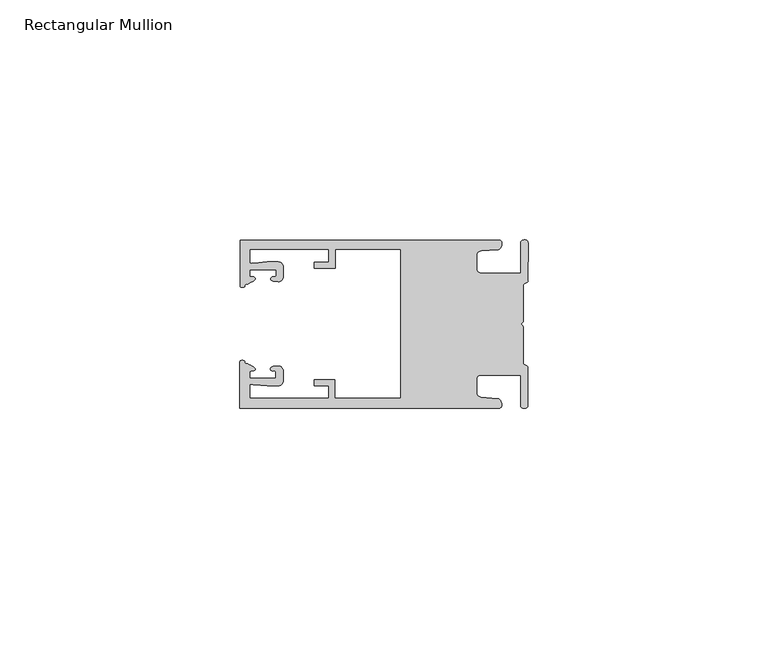
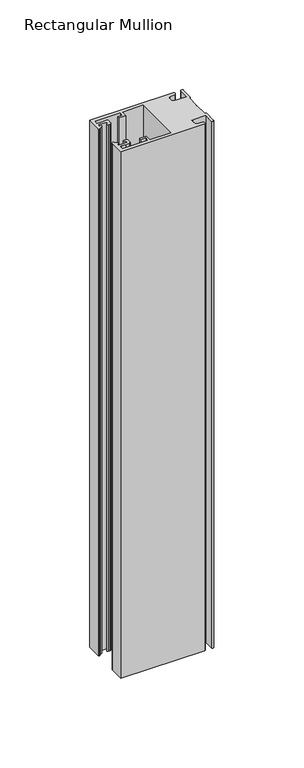
"""IFC4 building model written with IfcOpenShell, lengths in millimetres: member geometry, Rectangular Mullion."""

from ifc_helpers import new_model, si_unit, frame, origin, place, context, project, spatial, circle_curve, source, transform, mapped, element, save
from ifc_brep_helpers import plane_surface, cylinder_surface, extruded_surface, spline_curve, advanced_brep


def rectangular_mullion_d55a6f23(model_context):
    return source(origin(), model_context, "Body", "AdvancedBrep", [
        advanced_brep(
        [(-60.0749377, 17.5111528, 0.0), (-60.0749377, 8.0140787, 0.0), (-59.3252567, 7.7187455, 0.0), (-58.4967974, 8.36785, 0.0), (-58.0726619, 10.1173923, 0.0), (-58.0713101, 11.3673916, 0.0), (-52.5713133, 11.3614437, 0.0), (-52.5726651, 10.1114444, 0.0), (-53.1427626, 8.8955539, 0.0), (-52.0740172, 8.8609044, 0.0), (-51.0729364, 9.8598224, 0.0), (-51.0706653, 11.9598211, 0.0), (-52.0700692, 12.9609024, 0.0), (-54.3905105, 12.9622843, 0.0), (-57.1599646, 12.7230061, 0.0), (-58.0696339, 12.9173907, 0.0), (-58.066768, 15.5673891, 0.0), (-41.5667584, 15.5673891, 0.0), (-41.5695894, 12.9495468, 0.0), (-44.5695877, 12.9527912, 0.0), (-44.5709936, 11.6527919, 0.0), (-40.2709961, 11.6481417, 0.0), (-40.2667576, 15.5673891, 0.0), (-26.6002952, 15.5673891, 0.0), (-26.6002952, -15.4518424, 0.0), (-40.3003032, -15.4518424, 0.0), (-40.2960856, -11.5518447, 0.0), (-44.5960831, -11.5471945, 0.0), (-44.597489, -12.8471938, 0.0), (-41.5974907, -12.8504381, 0.0), (-41.6003025, -15.4504366, 0.0), (-58.1002928, -15.4325927, 0.0), (-58.097427, -12.7825943, 0.0), (-57.1873395, -12.5901776, 0.0), (-54.4184094, -12.8354453, 0.0), (-52.0979705, -12.8390822, 0.0), (-51.0964037, -11.8401649, 0.0), (-51.0941327, -9.7401662, 0.0), (-52.0930507, -8.7390853, 0.0), (-53.1618685, -8.7714231, 0.0), (-52.5944022, -9.9885439, 0.0), (-52.595754, -11.2385431, 0.0), (-58.0957508, -11.2325952, 0.0), (-58.094399, -9.9825959, 0.0), (-58.5147494, -8.2321403, 0.0), (-59.3418028, -7.5812455, 0.0), (-60.0921208, -7.8749565, 0.0), (-60.0921208, -17.4888267, 0.0), (-6.1024861, -17.4888267, 0.0), (-6.5218639, -15.488372, 0.0), (-9.8784944, -15.2205466, 0.0), (-10.7989567, -14.2226333, 0.0), (-10.7961029, -11.5837474, 0.0), (-9.8734844, -10.5878272, 0.0), (-1.5950266, -10.5934991, 0.0), (-1.601948, -16.9936935, 0.0), (-0.1017194, -16.7830581, 0.0), (-0.0933208, -9.0170082, 0.0), (-1.0923837, -8.1499018, 0.0), (-1.0842165, -0.5977972, 0.0), (-1.0829111, 0.6093089, 0.0), (-1.0747439, 8.1614135, 0.0), (-0.0738079, 9.026357, 0.0), (-0.0654093, 16.7924069, 0.0), (-1.5651789, 17.0062866, 0.0), (-1.5651789, 10.6183257, 0.0), (-9.8505511, 10.6183257, 0.0), (-10.7710133, 11.6162391, 0.0), (-10.7681595, 14.255125, 0.0), (-9.845541, 15.2510452, 0.0), (-6.4883391, 15.5116099, 0.0), (-6.0646356, 17.5111528, 0.0), (-60.0749377, 17.5111528, -358.8577679), (-6.0646356, 17.5111528, -358.8577679), (-6.4883391, 15.5116099, -358.8577679), (-9.845541, 15.2510452, -358.8577679), (-10.7681595, 14.255125, -358.8577679), (-10.7710133, 11.6162391, -358.8577679), (-9.8505511, 10.6183257, -358.8577679), (-1.5651789, 10.6183257, -358.8577679), (-1.5651789, 17.0062866, -358.8577679), (-0.0654093, 16.7924069, -358.8577679), (-0.0738079, 9.026357, -358.8577679), (-1.0747439, 8.1614135, -358.8577679), (-1.0829111, 0.6093089, -358.8577679), (-1.0842165, -0.5977972, -358.8577679), (-1.0923837, -8.1499018, -358.8577679), (-0.0933208, -9.0170082, -358.8577679), (-0.1017194, -16.7830581, -358.8577679), (-1.601948, -16.9936935, -358.8577679), (-1.5950266, -10.5934991, -358.8577679), (-9.8734844, -10.5878272, -358.8577679), (-10.7961029, -11.5837474, -358.8577679), (-10.7989567, -14.2226333, -358.8577679), (-9.8784944, -15.2205466, -358.8577679), (-6.5218639, -15.488372, -358.8577679), (-6.1024861, -17.4888267, -358.8577679), (-60.0921208, -17.4888267, -358.8577679), (-60.0921208, -7.8749565, -358.8577679), (-59.3418028, -7.5812455, -358.8577679), (-58.5147494, -8.2321403, -358.8577679), (-58.094399, -9.9825959, -358.8577679), (-58.0957508, -11.2325952, -358.8577679), (-52.595754, -11.2385431, -358.8577679), (-52.5944022, -9.9885439, -358.8577679), (-53.1618685, -8.7714231, -358.8577679), (-52.0930507, -8.7390853, -358.8577679), (-51.0941327, -9.7401662, -358.8577679), (-51.0964037, -11.8401649, -358.8577679), (-52.0979705, -12.8390823, -358.8577679), (-54.4184094, -12.8354453, -358.8577679), (-57.1873395, -12.5901776, -358.8577679), (-58.097427, -12.7825943, -358.8577679), (-58.1002928, -15.4325927, -358.8577679), (-41.6003025, -15.4504366, -358.8577679), (-41.5974907, -12.8504381, -358.8577679), (-44.597489, -12.8471938, -358.8577679), (-44.5960831, -11.5471945, -358.8577679), (-40.2960856, -11.5518447, -358.8577679), (-40.3003032, -15.4518424, -358.8577679), (-26.6002952, -15.4518424, -358.8577679), (-26.6002952, 15.5673891, -358.8577679), (-40.2667576, 15.5673891, -358.8577679), (-40.2709961, 11.6481417, -358.8577679), (-44.5709936, 11.6527919, -358.8577679), (-44.5695877, 12.9527912, -358.8577679), (-41.5695894, 12.9495468, -358.8577679), (-41.5667584, 15.5673891, -358.8577679), (-58.066768, 15.5673891, -358.8577679), (-58.0696339, 12.9173907, -358.8577679), (-57.1599646, 12.7230061, -358.8577679), (-54.3905105, 12.9622843, -358.8577679), (-52.0700692, 12.9609023, -358.8577679), (-51.0706653, 11.9598211, -358.8577679), (-51.0729364, 9.8598224, -358.8577679), (-52.0740172, 8.8609044, -358.8577679), (-53.1427626, 8.8955539, -358.8577679), (-52.5726651, 10.1114444, -358.8577679), (-52.5713133, 11.3614437, -358.8577679), (-58.0713101, 11.3673916, -358.8577679), (-58.0726619, 10.1173923, -358.8577679), (-58.4967974, 8.36785, -358.8577679), (-59.3252567, 7.7187455, -358.8577679), (-60.0749377, 8.0140787, -358.8577679)],
        [
            (0, 1),
            (1, 2, spline_curve(3, [(-60.0749377, 8.0140787, 0.0), (-60.075233123, 7.740904774, 0.0), (-59.825339491, 7.642460332, 0.0), (-59.3252567, 7.7187455, 0.0)], [4, 4], [0.0, 0.0019169337574178654])),
            (2, 3, spline_curve(3, [(-59.3252567, 7.7187455, 0.0), (-59.094460914, 7.75918372, 0.0), (-59.054835463, 7.902257199, 0.0), (-59.05559987, 8.233305614, 0.0), (-59.138729113, 8.4134359, 0.0), (-58.4967974, 8.36785, 0.0)], [4, 2, 4], [0.0, 0.0010199524164107188, 0.0024874514725970356])),
            (3, 4, spline_curve(3, [(-58.4967974, 8.36785, 0.0), (-57.022393378, 9.053435667, 0.0), (-56.827266887, 9.364828726, 0.0), (-56.982213078, 9.742623404, 0.0), (-57.177375211, 9.855581791, 0.0), (-57.697928101, 9.887955071, 0.0), (-57.997449153, 9.835475348, 0.0), (-58.0726619, 10.1173923, 0.0)], [4, 2, 2, 4], [0.0, 0.003269869179570428, 0.005490050486237203, 0.0073545767114364426])),
            (4, 5),
            (5, 6),
            (6, 7),
            (7, 8, spline_curve(3, [(-52.5726651, 10.1114444, 0.0), (-52.667195519, 9.760172042, 0.0), (-52.937094388, 9.861877724, 0.0), (-53.356237032, 9.895631753, 0.0), (-53.491940439, 9.811038713, 0.0), (-53.761900775, 9.511438033, 0.0), (-53.892893546, 9.278787104, 0.0), (-53.1427626, 8.8955539, 0.0)], [4, 2, 2, 4], [0.0, 0.001593963049934732, 0.0033360256320283306, 0.005339140673503943])),
            (8, 9),
            (9, 10, circle_curve(frame((-52.0729358, 9.8609038, 0.0), z_axis=(0.0, 0.0, 1.0), x_axis=(-0.0010814451158600304, -0.9999994152380598, 0.0)), 1.0)),
            (10, 11),
            (11, 12, circle_curve(frame((-52.0706647, 11.9609026, 0.0), z_axis=(0.0, 0.0, 1.0), x_axis=(-0.0010814451158600304, -0.9999994152380598, 0.0)), 1.0)),
            (12, 13),
            (13, 14),
            (14, 15, spline_curve(3, [(-57.1599646, 12.7230061, 0.0), (-57.631533854, 12.682262968, 0.0), (-58.018602985, 12.477800124, 0.0), (-58.0696339, 12.9173907, 0.0)], [4, 4], [0.0, 0.0014803385355886016])),
            (15, 16),
            (16, 17),
            (17, 18),
            (18, 19),
            (19, 20),
            (20, 21),
            (21, 22),
            (22, 23),
            (23, 24),
            (24, 25),
            (25, 26),
            (26, 27),
            (27, 28),
            (28, 29),
            (29, 30),
            (30, 31),
            (31, 32),
            (32, 33, spline_curve(3, [(-58.097427, -12.7825943, 0.0), (-58.045445419, -12.343115126, 0.0), (-57.658819528, -12.548414611, 0.0), (-57.1873395, -12.5901776, 0.0)], [4, 4], [0.0, 0.0014803385355886016])),
            (33, 34),
            (34, 35),
            (35, 36, circle_curve(frame((-52.0964031, -11.8390835, 0.0), z_axis=(0.0, 0.0, 1.0), x_axis=(0.0010814451158600304, 0.9999994152380598, 0.0)), 1.0)),
            (36, 37),
            (37, 38, circle_curve(frame((-52.0941321, -9.7390847, 0.0), z_axis=(0.0, 0.0, 1.0), x_axis=(0.0010814451158600304, 0.9999994152380598, 0.0)), 1.0)),
            (38, 39),
            (39, 40, spline_curve(3, [(-53.1618685, -8.7714231, 0.0), (-53.912826582, -9.153032958, 0.0), (-53.782337352, -9.385966711, 0.0), (-53.51302565, -9.686150585, 0.0), (-53.377505444, -9.771037009, 0.0), (-52.958290774, -9.738189618, 0.0), (-52.688172635, -9.637067904, 0.0), (-52.5944022, -9.9885439, 0.0)], [4, 2, 2, 4], [0.0, 0.002003115041475612, 0.0037451776235692107, 0.005339140673503943])),
            (40, 41),
            (41, 42),
            (42, 43),
            (43, 44, spline_curve(3, [(-58.094399, -9.9825959, 0.0), (-58.018576674, -9.700842284, 0.0), (-57.719169706, -9.753969703, 0.0), (-57.198548014, -9.722722397, 0.0), (-57.003142178, -9.61018632, 0.0), (-56.847379222, -9.232727657, 0.0), (-57.041831673, -8.920913336, 0.0), (-58.5147494, -8.2321403, 0.0)], [4, 2, 2, 4], [0.0, 0.0018645262251992395, 0.004084707531866015, 0.0073545767114364426])),
            (44, 45, spline_curve(3, [(-58.5147494, -8.2321403, 0.0), (-59.156778208, -8.276337666, 0.0), (-59.073259494, -8.096387681, 0.0), (-59.071779067, -7.765341694, 0.0), (-59.111095017, -7.622182811, 0.0), (-59.3418028, -7.5812455, 0.0)], [4, 2, 4], [0.0, 0.0014674990561863168, 0.0024874514725970356])),
            (45, 46, spline_curve(3, [(-59.3418028, -7.5812455, 0.0), (-59.841719425, -7.503878887, 0.0), (-60.091825377, -7.601782574, 0.0), (-60.0921208, -7.8749565, 0.0)], [4, 4], [0.0, 0.0019169337574178654])),
            (46, 47),
            (47, 48),
            (48, 49, spline_curve(3, [(-6.1024861, -17.4888267, 0.0), (-5.074532184, -17.418062188, 0.0), (-5.631140689, -15.411414367, 0.0), (-6.5218639, -15.488372, 0.0)], [4, 4], [0.0, 0.0043819361547461745])),
            (49, 50),
            (50, 51, spline_curve(3, [(-9.8784944, -15.2205466, 0.0), (-10.440691543, -15.150698463, 0.0), (-10.74751234, -14.818060727, 0.0), (-10.7989567, -14.2226333, 0.0)], [4, 4], [0.0, 0.0028645797420738927])),
            (51, 52),
            (52, 53, spline_curve(3, [(-10.7961029, -11.5837474, 0.0), (-10.743370817, -10.988432634, 0.0), (-10.435831301, -10.656459204, 0.0), (-9.8734844, -10.5878272, 0.0)], [4, 4], [0.0, 0.0028645797420738927])),
            (53, 54),
            (54, 55),
            (55, 56, spline_curve(3, [(-1.601948, -16.9936935, 0.0), (-1.655676874, -17.600261454, 0.0), (-0.043737403, -17.912795581, 0.0), (-0.1017194, -16.7830581, 0.0)], [4, 4], [0.0, 0.0036987374396357936])),
            (56, 57),
            (57, 58, spline_curve(3, [(-0.0933208, -9.0170082, 0.0), (-0.018818183, -8.695886697, 0.0), (-1.193434327, -8.459763043, 0.0), (-1.0923837, -8.1499018, 0.0)], [4, 4], [0.0, 0.002027216749630121])),
            (58, 59),
            (59, 60, spline_curve(3, [(-1.0842165, -0.5977972, 0.0), (-1.013223198, -0.445980437, 0.0), (-1.487945123, -0.206736825, 0.0), (-1.487409651, 0.231097965, 0.0), (-0.999110985, 0.429090391, 0.0), (-1.0829111, 0.6093089, 0.0)], [4, 2, 4], [0.0, 0.00249866671847065, 0.005031402919736269])),
            (60, 61),
            (61, 62, spline_curve(3, [(-1.0747439, 8.1614135, 0.0), (-1.175124095, 8.47149258, 0.0), (-7e-09, 8.705075107, 0.0), (-0.0738079, 9.026357, 0.0)], [4, 4], [0.0, 0.002027216749630121])),
            (62, 63),
            (63, 64, spline_curve(3, [(-0.0654093, 16.7924069, 0.0), (-0.004983942, 17.92201633, 0.0), (-1.617595709, 17.612969344, 0.0), (-1.5651789, 17.0062866, 0.0)], [4, 4], [0.0, 0.0036987374396357936])),
            (64, 65),
            (65, 66),
            (66, 67, spline_curve(3, [(-9.8505511, 10.6183257, 0.0), (-10.412748243, 10.688173837, 0.0), (-10.71956894, 11.020811673, 0.0), (-10.7710133, 11.6162391, 0.0)], [4, 4], [0.0, 0.0028645797420738927])),
            (67, 68),
            (68, 69, spline_curve(3, [(-10.7681595, 14.255125, 0.0), (-10.715427417, 14.850439766, 0.0), (-10.407887901, 15.182413196, 0.0), (-9.845541, 15.2510452, 0.0)], [4, 4], [0.0, 0.0028645797420738927])),
            (69, 70),
            (70, 71, spline_curve(3, [(-6.4883391, 15.5116099, 0.0), (-5.597784423, 15.432725911, 0.0), (-5.036837144, 17.438165103, 0.0), (-6.0646356, 17.5111528, 0.0)], [4, 4], [0.0, 0.0043819361547461745])),
            (71, 0),
            (72, 73),
            (73, 74, spline_curve(3, [(-6.0646356, 17.5111528, -358.8577679), (-5.036837144, 17.438165103, -358.8577679), (-5.597784423, 15.432725911, -358.8577679), (-6.4883391, 15.5116099, -358.8577679)], [4, 4], [0.0, 0.0043819361547461745])),
            (74, 75),
            (75, 76, spline_curve(3, [(-9.845541, 15.2510452, -358.8577679), (-10.407887901, 15.182413196, -358.8577679), (-10.715427417, 14.850439766, -358.8577679), (-10.7681595, 14.255125, -358.8577679)], [4, 4], [0.0, 0.0028645797420738927])),
            (76, 77),
            (77, 78, spline_curve(3, [(-10.7710133, 11.6162391, -358.8577679), (-10.71956894, 11.020811673, -358.8577679), (-10.412748243, 10.688173837, -358.8577679), (-9.8505511, 10.6183257, -358.8577679)], [4, 4], [0.0, 0.0028645797420738927])),
            (78, 79),
            (79, 80),
            (80, 81, spline_curve(3, [(-1.5651789, 17.0062866, -358.8577679), (-1.617595709, 17.612969344, -358.8577679), (-0.004983942, 17.92201633, -358.8577679), (-0.0654093, 16.7924069, -358.8577679)], [4, 4], [0.0, 0.0036987374396357936])),
            (81, 82),
            (82, 83, spline_curve(3, [(-0.0738079, 9.026357, -358.8577679), (-7e-09, 8.705075107, -358.8577679), (-1.175124095, 8.47149258, -358.8577679), (-1.0747439, 8.1614135, -358.8577679)], [4, 4], [0.0, 0.002027216749630121])),
            (83, 84),
            (84, 85, spline_curve(3, [(-1.0829111, 0.6093089, -358.8577679), (-0.999110985, 0.429090391, -358.8577679), (-1.487409651, 0.231097965, -358.8577679), (-1.487945123, -0.206736825, -358.8577679), (-1.013223198, -0.445980437, -358.8577679), (-1.0842165, -0.5977972, -358.8577679)], [4, 2, 4], [0.0, 0.002532736201265619, 0.005031402919736269])),
            (85, 86),
            (86, 87, spline_curve(3, [(-1.0923837, -8.1499018, -358.8577679), (-1.193434327, -8.459763043, -358.8577679), (-0.018818183, -8.695886697, -358.8577679), (-0.0933208, -9.0170082, -358.8577679)], [4, 4], [0.0, 0.002027216749630121])),
            (87, 88),
            (88, 89, spline_curve(3, [(-0.1017194, -16.7830581, -358.8577679), (-0.043737403, -17.912795581, -358.8577679), (-1.655676874, -17.600261454, -358.8577679), (-1.601948, -16.9936935, -358.8577679)], [4, 4], [0.0, 0.0036987374396357936])),
            (89, 90),
            (90, 91),
            (91, 92, spline_curve(3, [(-9.8734844, -10.5878272, -358.8577679), (-10.435831301, -10.656459204, -358.8577679), (-10.743370817, -10.988432634, -358.8577679), (-10.7961029, -11.5837474, -358.8577679)], [4, 4], [0.0, 0.0028645797420738927])),
            (92, 93),
            (93, 94, spline_curve(3, [(-10.7989567, -14.2226333, -358.8577679), (-10.74751234, -14.818060727, -358.8577679), (-10.440691543, -15.150698463, -358.8577679), (-9.8784944, -15.2205466, -358.8577679)], [4, 4], [0.0, 0.0028645797420738927])),
            (94, 95),
            (95, 96, spline_curve(3, [(-6.5218639, -15.488372, -358.8577679), (-5.631140689, -15.411414367, -358.8577679), (-5.074532184, -17.418062188, -358.8577679), (-6.1024861, -17.4888267, -358.8577679)], [4, 4], [0.0, 0.0043819361547461745])),
            (96, 97),
            (97, 98),
            (98, 99, spline_curve(3, [(-60.0921208, -7.8749565, -358.8577679), (-60.091825377, -7.601782574, -358.8577679), (-59.841719425, -7.503878887, -358.8577679), (-59.3418028, -7.5812455, -358.8577679)], [4, 4], [0.0, 0.0019169337574178654])),
            (99, 100, spline_curve(3, [(-59.3418028, -7.5812455, -358.8577679), (-59.111095017, -7.622182811, -358.8577679), (-59.071779067, -7.765341694, -358.8577679), (-59.073259494, -8.096387681, -358.8577679), (-59.156778208, -8.276337666, -358.8577679), (-58.5147494, -8.2321403, -358.8577679)], [4, 2, 4], [0.0, 0.0010199524164107188, 0.0024874514725970356])),
            (100, 101, spline_curve(3, [(-58.5147494, -8.2321403, -358.8577679), (-57.041831673, -8.920913336, -358.8577679), (-56.847379222, -9.232727657, -358.8577679), (-57.003142178, -9.61018632, -358.8577679), (-57.198548014, -9.722722397, -358.8577679), (-57.719169706, -9.753969703, -358.8577679), (-58.018576674, -9.700842284, -358.8577679), (-58.094399, -9.9825959, -358.8577679)], [4, 2, 2, 4], [0.0, 0.003269869179570428, 0.005490050486237203, 0.0073545767114364426])),
            (101, 102),
            (102, 103),
            (103, 104),
            (104, 105, spline_curve(3, [(-52.5944022, -9.9885439, -358.8577679), (-52.688172635, -9.637067904, -358.8577679), (-52.958290774, -9.738189618, -358.8577679), (-53.377505444, -9.771037009, -358.8577679), (-53.51302565, -9.686150585, -358.8577679), (-53.782337352, -9.385966711, -358.8577679), (-53.912826582, -9.153032958, -358.8577679), (-53.1618685, -8.7714231, -358.8577679)], [4, 2, 2, 4], [0.0, 0.001593963049934732, 0.0033360256320283306, 0.005339140673503943])),
            (105, 106),
            (106, 107, circle_curve(frame((-52.0941321, -9.7390847, -358.8577679), z_axis=(0.0, 0.0, -1.0), x_axis=(0.0010814451158600304, 0.9999994152380598, 0.0)), 1.0)),
            (107, 108),
            (108, 109, circle_curve(frame((-52.0964031, -11.8390835, -358.8577679), z_axis=(0.0, 0.0, -1.0), x_axis=(0.0010814451158600304, 0.9999994152380598, 0.0)), 1.0)),
            (109, 110),
            (110, 111),
            (111, 112, spline_curve(3, [(-57.1873395, -12.5901776, -358.8577679), (-57.658819528, -12.548414611, -358.8577679), (-58.045445419, -12.343115126, -358.8577679), (-58.097427, -12.7825943, -358.8577679)], [4, 4], [0.0, 0.0014803385355886016])),
            (112, 113),
            (113, 114),
            (114, 115),
            (115, 116),
            (116, 117),
            (117, 118),
            (118, 119),
            (119, 120),
            (120, 121),
            (121, 122),
            (122, 123),
            (123, 124),
            (124, 125),
            (125, 126),
            (126, 127),
            (127, 128),
            (128, 129),
            (129, 130, spline_curve(3, [(-58.0696339, 12.9173907, -358.8577679), (-58.018602985, 12.477800124, -358.8577679), (-57.631533854, 12.682262968, -358.8577679), (-57.1599646, 12.7230061, -358.8577679)], [4, 4], [0.0, 0.0014803385355886016])),
            (130, 131),
            (131, 132),
            (132, 133, circle_curve(frame((-52.0706647, 11.9609026, -358.8577679), z_axis=(0.0, 0.0, -1.0), x_axis=(-0.0010814451158600304, -0.9999994152380598, 0.0)), 1.0)),
            (133, 134),
            (134, 135, circle_curve(frame((-52.0729358, 9.8609038, -358.8577679), z_axis=(0.0, 0.0, -1.0), x_axis=(-0.0010814451158600304, -0.9999994152380598, 0.0)), 1.0)),
            (135, 136),
            (136, 137, spline_curve(3, [(-53.1427626, 8.8955539, -358.8577679), (-53.892893546, 9.278787104, -358.8577679), (-53.761900775, 9.511438033, -358.8577679), (-53.491940439, 9.811038713, -358.8577679), (-53.356237032, 9.895631753, -358.8577679), (-52.937094388, 9.861877724, -358.8577679), (-52.667195519, 9.760172042, -358.8577679), (-52.5726651, 10.1114444, -358.8577679)], [4, 2, 2, 4], [0.0, 0.002003115041475612, 0.0037451776235692107, 0.005339140673503943])),
            (137, 138),
            (138, 139),
            (139, 140),
            (140, 141, spline_curve(3, [(-58.0726619, 10.1173923, -358.8577679), (-57.997449153, 9.835475348, -358.8577679), (-57.697928101, 9.887955071, -358.8577679), (-57.177375211, 9.855581791, -358.8577679), (-56.982213078, 9.742623404, -358.8577679), (-56.827266887, 9.364828726, -358.8577679), (-57.022393378, 9.053435667, -358.8577679), (-58.4967974, 8.36785, -358.8577679)], [4, 2, 2, 4], [0.0, 0.0018645262251992395, 0.004084707531866015, 0.0073545767114364426])),
            (141, 142, spline_curve(3, [(-58.4967974, 8.36785, -358.8577679), (-59.138729113, 8.4134359, -358.8577679), (-59.05559987, 8.233305614, -358.8577679), (-59.054835463, 7.902257199, -358.8577679), (-59.094460914, 7.75918372, -358.8577679), (-59.3252567, 7.7187455, -358.8577679)], [4, 2, 4], [0.0, 0.0014674990561863168, 0.0024874514725970356])),
            (142, 143, spline_curve(3, [(-59.3252567, 7.7187455, -358.8577679), (-59.825339491, 7.642460332, -358.8577679), (-60.075233123, 7.740904774, -358.8577679), (-60.0749377, 8.0140787, -358.8577679)], [4, 4], [0.0, 0.0019169337574178654])),
            (143, 72),
            (0, 72),
            (143, 1),
            (142, 2),
            (141, 3),
            (140, 4),
            (139, 5),
            (138, 6),
            (137, 7),
            (136, 8),
            (135, 9),
            (134, 10),
            (133, 11),
            (132, 12),
            (131, 13),
            (130, 14),
            (129, 15),
            (128, 16),
            (127, 17),
            (126, 18),
            (125, 19),
            (124, 20),
            (123, 21),
            (122, 22),
            (121, 23),
            (120, 24),
            (119, 25),
            (118, 26),
            (117, 27),
            (116, 28),
            (115, 29),
            (114, 30),
            (113, 31),
            (112, 32),
            (111, 33),
            (110, 34),
            (109, 35),
            (108, 36),
            (107, 37),
            (106, 38),
            (105, 39),
            (104, 40),
            (103, 41),
            (102, 42),
            (101, 43),
            (100, 44),
            (99, 45),
            (98, 46),
            (97, 47),
            (96, 48),
            (95, 49),
            (94, 50),
            (93, 51),
            (92, 52),
            (91, 53),
            (90, 54),
            (89, 55),
            (88, 56),
            (87, 57),
            (86, 58),
            (85, 59),
            (84, 60),
            (83, 61),
            (82, 62),
            (81, 63),
            (80, 64),
            (79, 65),
            (78, 66),
            (77, 67),
            (76, 68),
            (75, 69),
            (74, 70),
            (73, 71),
        ],
        [
            plane_surface(frame((0.0, -62.5853181, 0.0), z_axis=(0.0, 0.0, 1.0), x_axis=(-1.0, 0.0, 0.0))),
            plane_surface(frame((0.0, -62.5853181, -358.8577679), z_axis=(0.0, 0.0, -1.0), x_axis=(-1.0, 0.0, 0.0))),
            plane_surface(frame((-60.0749377, 17.5111528, 0.0), z_axis=(-1.0, 0.0, 0.0), x_axis=(0.0, 0.0, -1.0))),
            extruded_surface(spline_curve(3, [(-60.0749377, 8.0140787, -358.8577679), (-60.075233123, 7.740904774, -358.8577679), (-59.825339491, 7.642460332, -358.8577679), (-59.3252567, 7.7187455, -358.8577679)], [4, 4], [0.0, 0.0019169337574178654]), (0.0, 0.0, 358.8577679), 358.8577679),
            extruded_surface(spline_curve(3, [(-59.3252567, 7.7187455, -358.8577679), (-59.094460914, 7.75918372, -358.8577679), (-59.054835463, 7.902257199, -358.8577679), (-59.05559987, 8.233305614, -358.8577679), (-59.138729113, 8.4134359, -358.8577679), (-58.4967974, 8.36785, -358.8577679)], [4, 2, 4], [0.0, 0.0010199524164107188, 0.0024874514725970356]), (0.0, 0.0, 358.8577679), 358.8577679),
            extruded_surface(spline_curve(3, [(-58.4967974, 8.36785, -358.8577679), (-57.022393378, 9.053435667, -358.8577679), (-56.827266887, 9.364828726, -358.8577679), (-56.982213078, 9.742623404, -358.8577679), (-57.177375211, 9.855581791, -358.8577679), (-57.697928101, 9.887955071, -358.8577679), (-57.997449153, 9.835475348, -358.8577679), (-58.0726619, 10.1173923, -358.8577679)], [4, 2, 2, 4], [0.0, 0.003269869179570428, 0.005490050486237203, 0.0073545767114364426]), (0.0, 0.0, 358.8577679), 358.8577679),
            plane_surface(frame((-58.0726619, 10.1173923, 0.0), z_axis=(0.9999994152380598, -0.0010814451158634145, 0.0), x_axis=(0.0, 0.0, -1.0))),
            plane_surface(frame((-58.0713101, 11.3673916, 0.0), z_axis=(-0.0010814451158616418, -0.9999994152380598, 0.0), x_axis=(0.0, 0.0, -1.0))),
            plane_surface(frame((-52.5713133, 11.3614437, 0.0), z_axis=(-0.9999994152380598, 0.0010814451158643293, 0.0), x_axis=(0.0, 0.0, -1.0))),
            extruded_surface(spline_curve(3, [(-52.5726651, 10.1114444, -358.8577679), (-52.667195519, 9.760172042, -358.8577679), (-52.937094388, 9.861877724, -358.8577679), (-53.356237032, 9.895631753, -358.8577679), (-53.491940439, 9.811038713, -358.8577679), (-53.761900775, 9.511438033, -358.8577679), (-53.892893546, 9.278787104, -358.8577679), (-53.1427626, 8.8955539, -358.8577679)], [4, 2, 2, 4], [0.0, 0.001593963049934732, 0.0033360256320283306, 0.005339140673503943]), (0.0, 0.0, 358.8577679), 358.8577679),
            plane_surface(frame((-53.1427626, 8.8955539, 0.0), z_axis=(-0.032403661401520414, -0.9994748634797054, 0.0), x_axis=(0.0, 0.0, -1.0))),
            cylinder_surface(frame((-52.0729358, 9.8609038, 0.0), z_axis=(0.0, 0.0, 1.0000000000000002), x_axis=(-0.0010814451158600304, -0.9999994152380598, 0.0)), 1.0),
            plane_surface(frame((-51.0729364, 9.8598224, 0.0), z_axis=(0.9999994152380598, -0.001081445115864059, 0.0), x_axis=(0.0, 0.0, -1.0))),
            cylinder_surface(frame((-52.0706647, 11.9609026, 0.0), z_axis=(0.0, 0.0, 1.0000000000000002), x_axis=(-0.0010814451158600304, -0.9999994152380598, 0.0)), 1.0),
            plane_surface(frame((-52.0700692, 12.9609023, 0.0), z_axis=(0.0005955716436318007, 0.999999822647193, 0.0), x_axis=(0.0, 0.0, -1.0))),
            plane_surface(frame((-54.3905105, 12.9622843, 0.0), z_axis=(-0.08607836189159865, 0.9962883697073147, 0.0), x_axis=(0.0, 0.0, -1.0))),
            extruded_surface(spline_curve(3, [(-57.1599646, 12.7230061, -358.8577679), (-57.631533854, 12.682262968, -358.8577679), (-58.018602985, 12.477800124, -358.8577679), (-58.0696339, 12.9173907, -358.8577679)], [4, 4], [0.0, 0.0014803385355886016]), (0.0, 0.0, 358.8577679), 358.8577679),
            plane_surface(frame((-58.0696339, 12.9173907, 0.0), z_axis=(0.9999994152380598, -0.0010814451158629996, 0.0), x_axis=(0.0, 0.0, -1.0))),
            plane_surface(frame((-58.066768, 15.5673891, 0.0), z_axis=(0.0, -1.0, 0.0), x_axis=(0.0, 0.0, -1.0))),
            plane_surface(frame((-41.5667584, 15.5673891, 0.0), z_axis=(-0.9999994152380598, 0.0010814451158636304, 0.0), x_axis=(0.0, 0.0, -1.0))),
            plane_surface(frame((-41.5695894, 12.9495468, 0.0), z_axis=(0.0010814451158615687, 0.9999994152380598, 0.0), x_axis=(0.0, 0.0, -1.0))),
            plane_surface(frame((-44.5695877, 12.9527912, 0.0), z_axis=(-0.9999994152380598, 0.0010814451158626742, 0.0), x_axis=(0.0, 0.0, -1.0))),
            plane_surface(frame((-44.5709936, 11.6527919, 0.0), z_axis=(-0.001081445115861604, -0.9999994152380598, 0.0), x_axis=(0.0, 0.0, -1.0))),
            plane_surface(frame((-40.2709961, 11.6481417, 0.0), z_axis=(0.9999994152380598, -0.001081445115863507, 0.0), x_axis=(0.0, 0.0, -1.0))),
            plane_surface(frame((-40.2667576, 15.5673891, 0.0), z_axis=(0.0, -1.0, 0.0), x_axis=(0.0, 0.0, -1.0))),
            plane_surface(frame((-26.6002952, 15.5673891, 0.0), z_axis=(-1.0, 0.0, 0.0), x_axis=(0.0, 0.0, -1.0))),
            plane_surface(frame((-26.6002952, -15.4518424, 0.0), z_axis=(0.0, 1.0, 0.0), x_axis=(0.0, 0.0, -1.0))),
            plane_surface(frame((-40.3003032, -15.4518424, 0.0), z_axis=(0.9999994152380598, -0.0010814451158565538, 0.0), x_axis=(0.0, 0.0, -1.0))),
            plane_surface(frame((-40.2960856, -11.5518447, 0.0), z_axis=(0.0010814451158584568, 0.9999994152380598, 0.0), x_axis=(0.0, 0.0, -1.0))),
            plane_surface(frame((-44.5960831, -11.5471945, 0.0), z_axis=(-0.9999994152380598, 0.0010814451158573867, 0.0), x_axis=(0.0, 0.0, -1.0))),
            plane_surface(frame((-44.597489, -12.8471938, 0.0), z_axis=(-0.0010814451158584922, -0.9999994152380598, 0.0), x_axis=(0.0, 0.0, -1.0))),
            plane_surface(frame((-41.5974907, -12.8504381, 0.0), z_axis=(-0.9999994152380598, 0.0010814451158564305, 0.0), x_axis=(0.0, 0.0, -1.0))),
            plane_surface(frame((-41.6003025, -15.4504366, 0.0), z_axis=(0.0010814451158583872, 0.9999994152380598, 0.0), x_axis=(0.0, 0.0, -1.0))),
            plane_surface(frame((-58.1002928, -15.4325927, 0.0), z_axis=(0.9999994152380598, -0.0010814451158570612, 0.0), x_axis=(0.0, 0.0, -1.0))),
            extruded_surface(spline_curve(3, [(-58.097427, -12.7825943, -358.8577679), (-58.045445419, -12.343115126, -358.8577679), (-57.658819528, -12.548414611, -358.8577679), (-57.1873395, -12.5901776, -358.8577679)], [4, 4], [0.0, 0.0014803385355886016]), (0.0, 0.0, 358.8577679), 358.8577679),
            plane_surface(frame((-57.1873395, -12.5901776, 0.0), z_axis=(-0.0882330216729926, -0.9960998614026876, 0.0), x_axis=(0.0, 0.0, -1.0))),
            plane_surface(frame((-54.4184094, -12.8354453, 0.0), z_axis=(-0.0015673183327880543, -0.9999987717558677, 0.0), x_axis=(0.0, 0.0, -1.0))),
            cylinder_surface(frame((-52.0964031, -11.8390835, 0.0), z_axis=(0.0, 0.0, 1.0000000000000002), x_axis=(0.0010814451158600304, 0.9999994152380598, 0.0)), 1.0),
            plane_surface(frame((-51.0964037, -11.8401649, 0.0), z_axis=(0.9999994152380598, -0.001081445115856002, 0.0), x_axis=(0.0, 0.0, -1.0))),
            cylinder_surface(frame((-52.0941321, -9.7390847, 0.0), z_axis=(0.0, 0.0, 1.0000000000000002), x_axis=(0.0010814451158600304, 0.9999994152380598, 0.0)), 1.0),
            plane_surface(frame((-52.0930507, -8.7390853, 0.0), z_axis=(-0.030241832452872642, 0.9995426111826812, 0.0), x_axis=(0.0, 0.0, -1.0))),
            extruded_surface(spline_curve(3, [(-53.1618685, -8.7714231, -358.8577679), (-53.912826582, -9.153032958, -358.8577679), (-53.782337352, -9.385966711, -358.8577679), (-53.51302565, -9.686150585, -358.8577679), (-53.377505444, -9.771037009, -358.8577679), (-52.958290774, -9.738189618, -358.8577679), (-52.688172635, -9.637067904, -358.8577679), (-52.5944022, -9.9885439, -358.8577679)], [4, 2, 2, 4], [0.0, 0.002003115041475612, 0.0037451776235692107, 0.005339140673503943]), (0.0, 0.0, 358.8577679), 358.8577679),
            plane_surface(frame((-52.5944022, -9.9885439, 0.0), z_axis=(-0.9999994152380598, 0.0010814451158557316, 0.0), x_axis=(0.0, 0.0, -1.0))),
            plane_surface(frame((-52.595754, -11.2385431, 0.0), z_axis=(0.001081445115858419, 0.9999994152380598, 0.0), x_axis=(0.0, 0.0, -1.0))),
            plane_surface(frame((-58.0957508, -11.2325952, 0.0), z_axis=(0.9999994152380598, -0.0010814451158566464, 0.0), x_axis=(0.0, 0.0, -1.0))),
            extruded_surface(spline_curve(3, [(-58.094399, -9.9825959, -358.8577679), (-58.018576674, -9.700842284, -358.8577679), (-57.719169706, -9.753969703, -358.8577679), (-57.198548014, -9.722722397, -358.8577679), (-57.003142178, -9.61018632, -358.8577679), (-56.847379222, -9.232727657, -358.8577679), (-57.041831673, -8.920913336, -358.8577679), (-58.5147494, -8.2321403, -358.8577679)], [4, 2, 2, 4], [0.0, 0.0018645262251992395, 0.004084707531866015, 0.0073545767114364426]), (0.0, 0.0, 358.8577679), 358.8577679),
            extruded_surface(spline_curve(3, [(-58.5147494, -8.2321403, -358.8577679), (-59.156778208, -8.276337666, -358.8577679), (-59.073259494, -8.096387681, -358.8577679), (-59.071779067, -7.765341694, -358.8577679), (-59.111095017, -7.622182811, -358.8577679), (-59.3418028, -7.5812455, -358.8577679)], [4, 2, 4], [0.0, 0.0014674990561863168, 0.0024874514725970356]), (0.0, 0.0, 358.8577679), 358.8577679),
            extruded_surface(spline_curve(3, [(-59.3418028, -7.5812455, -358.8577679), (-59.841719425, -7.503878887, -358.8577679), (-60.091825377, -7.601782574, -358.8577679), (-60.0921208, -7.8749565, -358.8577679)], [4, 4], [0.0, 0.0019169337574178654]), (0.0, 0.0, 358.8577679), 358.8577679),
            plane_surface(frame((-60.0921208, -7.8749565, 0.0), z_axis=(-1.0, 0.0, 0.0), x_axis=(0.0, 0.0, -1.0))),
            plane_surface(frame((-60.0921208, -17.4888267, 0.0), z_axis=(0.0, -1.0, 0.0), x_axis=(0.0, 0.0, -1.0))),
            extruded_surface(spline_curve(3, [(-6.1024861, -17.4888267, -358.8577679), (-5.074532184, -17.418062188, -358.8577679), (-5.631140689, -15.411414367, -358.8577679), (-6.5218639, -15.488372, -358.8577679)], [4, 4], [0.0, 0.0043819361547461745]), (0.0, 0.0, 358.8577679), 358.8577679),
            plane_surface(frame((-6.5218639, -15.488372, 0.0), z_axis=(0.07953716124904908, 0.9968319015663789, 0.0), x_axis=(0.0, 0.0, -1.0))),
            extruded_surface(spline_curve(3, [(-9.8784944, -15.2205466, -358.8577679), (-10.440691543, -15.150698463, -358.8577679), (-10.74751234, -14.818060727, -358.8577679), (-10.7989567, -14.2226333, -358.8577679)], [4, 4], [0.0, 0.0028645797420738927]), (0.0, 0.0, 358.8577679), 358.8577679),
            plane_surface(frame((-10.7989567, -14.2226333, 0.0), z_axis=(0.9999994152380598, -0.0010814451158568247, 0.0), x_axis=(0.0, 0.0, -1.0))),
            extruded_surface(spline_curve(3, [(-10.7961029, -11.5837474, -358.8577679), (-10.743370817, -10.988432634, -358.8577679), (-10.435831301, -10.656459204, -358.8577679), (-9.8734844, -10.5878272, -358.8577679)], [4, 4], [0.0, 0.0028645797420738927]), (0.0, 0.0, 358.8577679), 358.8577679),
            plane_surface(frame((-9.8734844, -10.5878272, 0.0), z_axis=(-0.0006851371995361226, -0.9999997652934814, 0.0), x_axis=(0.0, 0.0, -1.0))),
            plane_surface(frame((-1.5950266, -10.5934991, 0.0), z_axis=(-0.9999994152380598, 0.0010814451158568644, 0.0), x_axis=(0.0, 0.0, -1.0))),
            extruded_surface(spline_curve(3, [(-1.601948, -16.9936935, -358.8577679), (-1.655676874, -17.600261454, -358.8577679), (-0.043737403, -17.912795581, -358.8577679), (-0.1017194, -16.7830581, -358.8577679)], [4, 4], [0.0, 0.0036987374396357936]), (0.0, 0.0, 358.8577679), 358.8577679),
            plane_surface(frame((-0.1017194, -16.7830581, 0.0), z_axis=(0.9999994152380598, -0.001081445115856699, 0.0), x_axis=(0.0, 0.0, -1.0))),
            extruded_surface(spline_curve(3, [(-0.0933208, -9.0170082, -358.8577679), (-0.018818183, -8.695886697, -358.8577679), (-1.193434327, -8.459763043, -358.8577679), (-1.0923837, -8.1499018, -358.8577679)], [4, 4], [0.0, 0.002027216749630121]), (0.0, 0.0, 358.8577679), 358.8577679),
            plane_surface(frame((-1.0923837, -8.1499018, 0.0), z_axis=(0.9999994152380598, -0.0010814451158566698, 0.0), x_axis=(0.0, 0.0, -1.0))),
            extruded_surface(spline_curve(3, [(-1.0842165, -0.5977972, -358.8577679), (-1.013223198, -0.445980437, -358.8577679), (-1.487945123, -0.206736825, -358.8577679), (-1.487409651, 0.231097965, -358.8577679), (-0.999110985, 0.429090391, -358.8577679), (-1.0829111, 0.6093089, -358.8577679)], [4, 2, 4], [0.0, 0.00249866671847065, 0.005031402919736269]), (0.0, 0.0, 358.8577679), 358.8577679),
            plane_surface(frame((-1.0829111, 0.6093089, 0.0), z_axis=(0.9999994152380598, -0.001081445115863391, 0.0), x_axis=(0.0, 0.0, -1.0))),
            extruded_surface(spline_curve(3, [(-1.0747439, 8.1614135, -358.8577679), (-1.175124095, 8.47149258, -358.8577679), (-7e-09, 8.705075107, -358.8577679), (-0.0738079, 9.026357, -358.8577679)], [4, 4], [0.0, 0.002027216749630121]), (0.0, 0.0, 358.8577679), 358.8577679),
            plane_surface(frame((-0.0738079, 9.026357, 0.0), z_axis=(0.9999994152380598, -0.001081445115863362, 0.0), x_axis=(0.0, 0.0, -1.0))),
            extruded_surface(spline_curve(3, [(-0.0654093, 16.7924069, -358.8577679), (-0.004983942, 17.92201633, -358.8577679), (-1.617595709, 17.612969344, -358.8577679), (-1.5651789, 17.0062866, -358.8577679)], [4, 4], [0.0, 0.0036987374396357936]), (0.0, 0.0, 358.8577679), 358.8577679),
            plane_surface(frame((-1.5651789, 17.0062866, 0.0), z_axis=(-1.0, 0.0, 0.0), x_axis=(0.0, 0.0, -1.0))),
            plane_surface(frame((-1.5651789, 10.6183257, 0.0), z_axis=(0.0, 1.0, 0.0), x_axis=(0.0, 0.0, -1.0))),
            extruded_surface(spline_curve(3, [(-9.8505511, 10.6183257, -358.8577679), (-10.412748243, 10.688173837, -358.8577679), (-10.71956894, 11.020811673, -358.8577679), (-10.7710133, 11.6162391, -358.8577679)], [4, 4], [0.0, 0.0028645797420738927]), (0.0, 0.0, 358.8577679), 358.8577679),
            plane_surface(frame((-10.7710133, 11.6162391, 0.0), z_axis=(0.9999994152380598, -0.0010814451158632362, 0.0), x_axis=(0.0, 0.0, -1.0))),
            extruded_surface(spline_curve(3, [(-10.7681595, 14.255125, -358.8577679), (-10.715427417, 14.850439766, -358.8577679), (-10.407887901, 15.182413196, -358.8577679), (-9.845541, 15.2510452, -358.8577679)], [4, 4], [0.0, 0.0028645797420738927]), (0.0, 0.0, 358.8577679), 358.8577679),
            plane_surface(frame((-9.845541, 15.2510452, 0.0), z_axis=(0.07738093848608862, -0.9970015999781607, 0.0), x_axis=(0.0, 0.0, -1.0))),
            extruded_surface(spline_curve(3, [(-6.4883391, 15.5116099, -358.8577679), (-5.597784423, 15.432725911, -358.8577679), (-5.036837144, 17.438165103, -358.8577679), (-6.0646356, 17.5111528, -358.8577679)], [4, 4], [0.0, 0.0043819361547461745]), (0.0, 0.0, 358.8577679), 358.8577679),
            plane_surface(frame((-6.0646356, 17.5111528, 0.0), z_axis=(0.0, 1.0, 0.0), x_axis=(0.0, 0.0, -1.0))),
        ],
        [
            (0, [[1, 2, 3, 4, 5, 6, 7, 8, 9, 10, 11, 12, 13, 14, 15, 16, 17, 18, 19, 20, 21, 22, 23, 24, 25, 26, 27, 28, 29, 30, 31, 32, 33, 34, 35, 36, 37, 38, 39, 40, 41, 42, 43, 44, 45, 46, 47, 48, 49, 50, 51, 52, 53, 54, 55, 56, 57, 58, 59, 60, 61, 62, 63, 64, 65, 66, 67, 68, 69, 70, 71, 72]]),
            (1, [[73, 74, 75, 76, 77, 78, 79, 80, 81, 82, 83, 84, 85, 86, 87, 88, 89, 90, 91, 92, 93, 94, 95, 96, 97, 98, 99, 100, 101, 102, 103, 104, 105, 106, 107, 108, 109, 110, 111, 112, 113, 114, 115, 116, 117, 118, 119, 120, 121, 122, 123, 124, 125, 126, 127, 128, 129, 130, 131, 132, 133, 134, 135, 136, 137, 138, 139, 140, 141, 142, 143, 144]]),
            (2, [[-1, 145, -144, 146]]),
            (3, [[-2, -146, -143, 147]]),
            (4, [[-3, -147, -142, 148]]),
            (5, [[-4, -148, -141, 149]]),
            (6, [[-5, -149, -140, 150]]),
            (7, [[-6, -150, -139, 151]]),
            (8, [[-7, -151, -138, 152]]),
            (9, [[-8, -152, -137, 153]]),
            (10, [[-9, -153, -136, 154]]),
            (11, [[-10, -154, -135, 155]]),
            (12, [[-11, -155, -134, 156]]),
            (13, [[-12, -156, -133, 157]]),
            (14, [[-13, -157, -132, 158]]),
            (15, [[-14, -158, -131, 159]]),
            (16, [[-15, -159, -130, 160]]),
            (17, [[-16, -160, -129, 161]]),
            (18, [[-17, -161, -128, 162]]),
            (19, [[-18, -162, -127, 163]]),
            (20, [[-19, -163, -126, 164]]),
            (21, [[-20, -164, -125, 165]]),
            (22, [[-21, -165, -124, 166]]),
            (23, [[-22, -166, -123, 167]]),
            (24, [[-23, -167, -122, 168]]),
            (25, [[-24, -168, -121, 169]]),
            (26, [[-25, -169, -120, 170]]),
            (27, [[-26, -170, -119, 171]]),
            (28, [[-27, -171, -118, 172]]),
            (29, [[-28, -172, -117, 173]]),
            (30, [[-29, -173, -116, 174]]),
            (31, [[-30, -174, -115, 175]]),
            (32, [[-31, -175, -114, 176]]),
            (33, [[-32, -176, -113, 177]]),
            (34, [[-33, -177, -112, 178]]),
            (35, [[-34, -178, -111, 179]]),
            (36, [[-35, -179, -110, 180]]),
            (37, [[-36, -180, -109, 181]]),
            (38, [[-37, -181, -108, 182]]),
            (39, [[-38, -182, -107, 183]]),
            (40, [[-39, -183, -106, 184]]),
            (41, [[-40, -184, -105, 185]]),
            (42, [[-41, -185, -104, 186]]),
            (43, [[-42, -186, -103, 187]]),
            (44, [[-43, -187, -102, 188]]),
            (45, [[-44, -188, -101, 189]]),
            (46, [[-45, -189, -100, 190]]),
            (47, [[-46, -190, -99, 191]]),
            (48, [[-47, -191, -98, 192]]),
            (49, [[-48, -192, -97, 193]]),
            (50, [[-49, -193, -96, 194]]),
            (51, [[-50, -194, -95, 195]]),
            (52, [[-51, -195, -94, 196]]),
            (53, [[-52, -196, -93, 197]]),
            (54, [[-53, -197, -92, 198]]),
            (55, [[-54, -198, -91, 199]]),
            (56, [[-55, -199, -90, 200]]),
            (57, [[-56, -200, -89, 201]]),
            (58, [[-57, -201, -88, 202]]),
            (59, [[-58, -202, -87, 203]]),
            (60, [[-59, -203, -86, 204]]),
            (61, [[-60, -204, -85, 205]]),
            (62, [[-61, -205, -84, 206]]),
            (63, [[-62, -206, -83, 207]]),
            (64, [[-63, -207, -82, 208]]),
            (65, [[-64, -208, -81, 209]]),
            (66, [[-65, -209, -80, 210]]),
            (67, [[-66, -210, -79, 211]]),
            (68, [[-67, -211, -78, 212]]),
            (69, [[-68, -212, -77, 213]]),
            (70, [[-69, -213, -76, 214]]),
            (71, [[-70, -214, -75, 215]]),
            (72, [[-71, -215, -74, 216]]),
            (73, [[-72, -216, -73, -145]]),
        ],
    ),
    ])


if __name__ == "__main__":
    model = new_model("IFC4")
    model_context = context("Model", 3, world=origin())
    ifc_project = project(units=[si_unit("LENGTHUNIT", "METRE", prefix="MILLI")], contexts=[model_context])
    site = spatial("IfcSite", under=ifc_project)
    building = spatial("IfcBuilding", under=site)
    placement = place(None, origin())
    rectangular_mullion_shape = rectangular_mullion_d55a6f23(model_context)
    element("IfcMember", 1, ObjectType="Rectangular Mullion", at=placement, inside=building, context=model_context, shape_type="MappedRepresentation", body=[
        mapped(rectangular_mullion_shape, transform((0.0, 0.0, 0.0), x_axis=(1.0, 0.0, 0.0), y_axis=(0.0, 1.0, 0.0), z_axis=(0.0, 0.0, 1.0))),
    ])
    save(model, "model.ifc")
